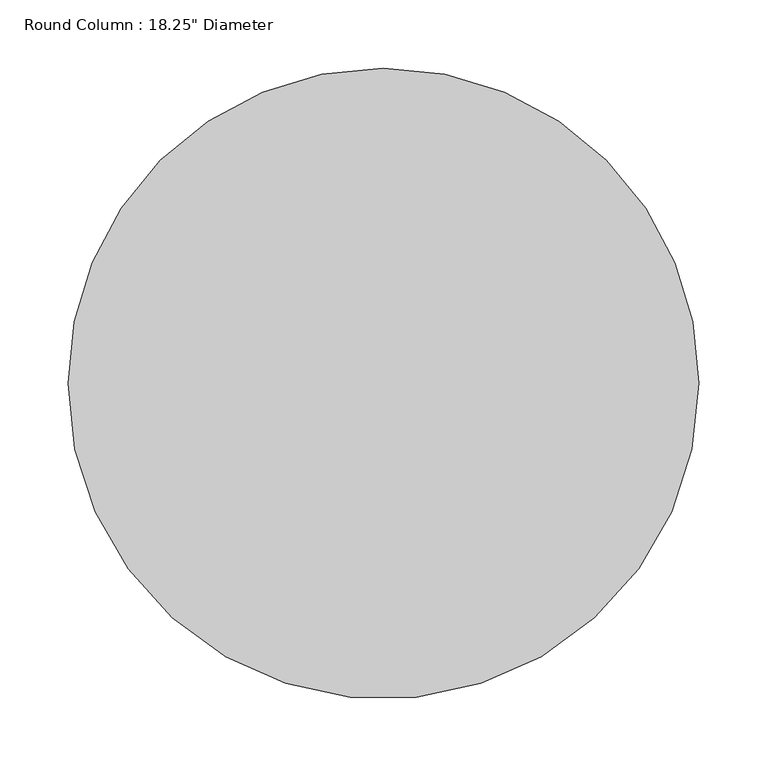
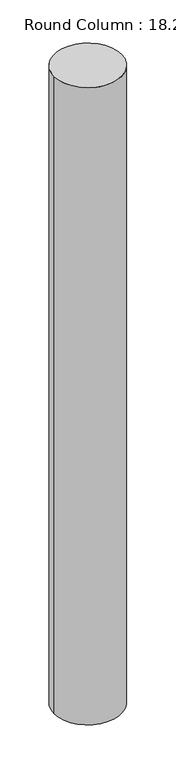
"""IFC4 building model written with IfcOpenShell, lengths in millimetres: column geometry."""

from ifc_helpers import new_model, si_unit, point, origin, origin_with_axes, origin_2d, place, context, project, spatial, circle_curve, trimmed, segment, composite_curve, outline, extrude, source, transform, mapped, element, save


def column_88f3ff0f(model_context):
    return source(origin(), model_context, "Body", "SweptSolid", [
        extrude(outline(composite_curve([segment(trimmed(circle_curve(origin_2d(), 231.775), [point((231.775, 0.0))], [point((-231.775, 0.0))], False, "CARTESIAN"), True, "CONTINUOUS"), segment(trimmed(circle_curve(origin_2d(), 231.775), [point((-231.775, 0.0))], [point((0.0, 231.775))], False, "CARTESIAN"), True, "CONTINUOUS"), segment(trimmed(circle_curve(origin_2d(), 231.775), [point((0.0, 231.775))], [point((231.775, 0.0))], False, "CARTESIAN"), True, "CONTINUOUS")], self_intersect=False)), origin_with_axes(), (0.0, 0.0, 1.0), 4635.5),
    ])


if __name__ == "__main__":
    model = new_model("IFC4")
    model_context = context("Model", 3, world=origin())
    ifc_project = project(units=[si_unit("LENGTHUNIT", "METRE", prefix="MILLI")], contexts=[model_context])
    site = spatial("IfcSite", under=ifc_project)
    building = spatial("IfcBuilding", under=site)
    placement = place(None, origin())
    column_shape = column_88f3ff0f(model_context)
    element("IfcColumn", 1, ObjectType="Round Column : 18.25\" Diameter", at=placement, inside=building, context=model_context, shape_type="MappedRepresentation", body=[
        mapped(column_shape, transform((0.0, 0.0, 0.0), x_axis=(1.0, 0.0, 0.0), y_axis=(0.0, 1.0, 0.0), z_axis=(0.0, 0.0, 1.0))),
    ])
    save(model, "model.ifc")
